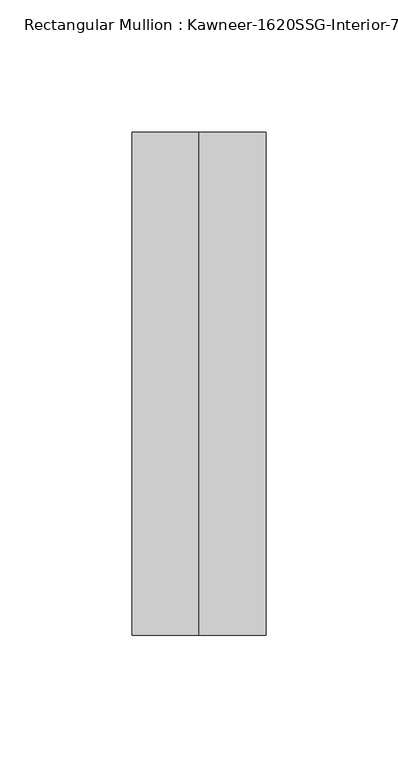
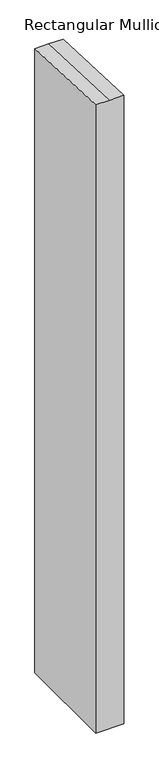
"""IFC4 building model written with IfcOpenShell, lengths in millimetres: member geometry."""

from ifc_helpers import new_model, si_unit, origin, place, context, project, spatial, faceted_brep, source, transform, mapped, element, save


def member_8c96fe1c(model_context):
    return source(origin(), model_context, "Body", "Brep", [
        faceted_brep([(25.4, -152.4, -1193.3079295), (-25.4, -152.4, -1193.3079295), (-25.4, 38.1, -1193.3079295), (25.4, 38.1, -1193.3079295), (25.4, 38.1, -1.6634819), (25.4, -152.4, 6.6539277), (-25.4, 38.1, -1.6634819), (0.0, 38.1, -1.6634819), (-25.4, -152.4, 6.6539277), (0.0, -152.4, 6.6539277)], [[[0, 1, 2, 3]], [[4, 5, 0, 3]], [[6, 7, 4, 3, 2]], [[8, 6, 2, 1]], [[5, 9, 8, 1, 0]], [[5, 4, 7, 9]], [[7, 6, 8, 9]]]),
    ])


if __name__ == "__main__":
    model = new_model("IFC4")
    model_context = context("Model", 3, world=origin())
    ifc_project = project(units=[si_unit("LENGTHUNIT", "METRE", prefix="MILLI")], contexts=[model_context])
    site = spatial("IfcSite", under=ifc_project)
    building = spatial("IfcBuilding", under=site)
    placement = place(None, origin())
    member_shape = member_8c96fe1c(model_context)
    element("IfcMember", 1, ObjectType="Rectangular Mullion : Kawneer-1620SSG-Interior-7.5\"-1\"Infill", at=placement, inside=building, context=model_context, shape_type="MappedRepresentation", body=[
        mapped(member_shape, transform((0.0, 0.0, 0.0), x_axis=(1.0, 0.0, 0.0), y_axis=(0.0, 1.0, 0.0), z_axis=(0.0, 0.0, 1.0))),
    ])
    save(model, "model.ifc")
